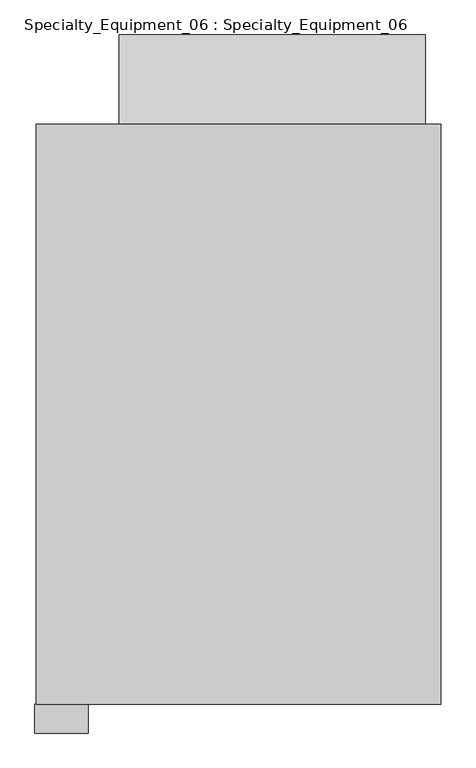
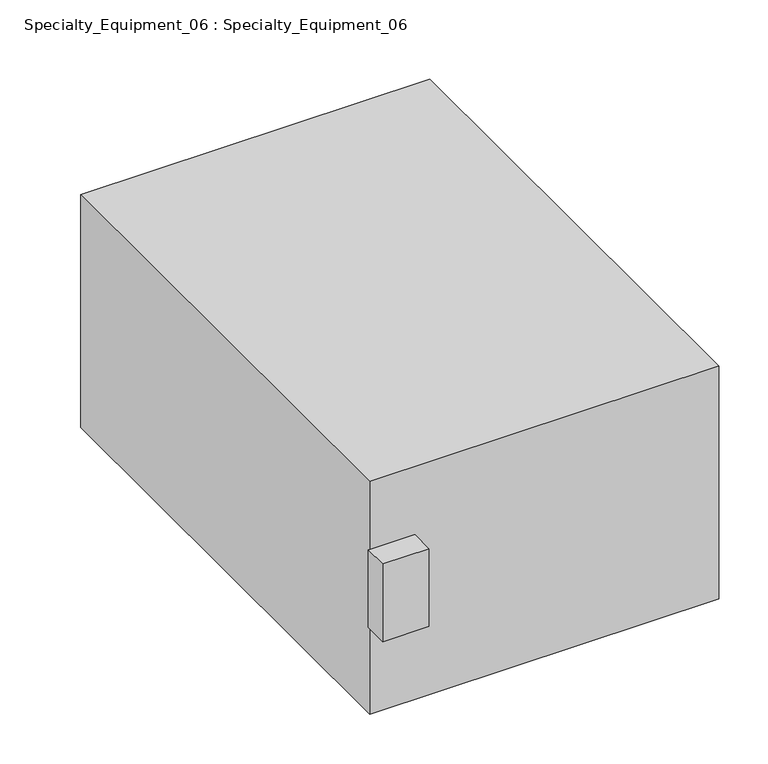
"""IFC4 building model written with IfcOpenShell, lengths in millimetres: proxy geometry, Specialty_Equipment_06 : Specialty_Equipment_06."""

import ifcopenshell
import ifcopenshell.guid

model = None  # the IFC model being written
_history = None  # IfcOwnerHistory: only IFC2X3 demands one
_inside = {}  # id of a spatial element -> (the spatial element, [elements in it])
_under = {}  # id of a project, library or spatial element -> (it, [spatial elements below it])
_declared = {}  # id of a project -> (the project, [libraries it declares])
_typed = {}  # id of a type object -> (the type object, [elements of that type])
_made_of = {}  # id of a material, layer set ... -> (it, [elements and type objects made of it])


def new_model(schema):
    """Start an empty IFC model of exactly this schema.

    Asked for "IFC4X3", IfcOpenShell would pick the latest addendum, in which some entities
    have other attributes; the version numbers below select the first issue.
    IFC2X3 requires an IfcOwnerHistory on every rooted entity: one is made here for all.
    """
    global model, _history
    if schema == "IFC4X3":
        model = ifcopenshell.file(schema_version=(4, 3, 0, 0))
    else:
        model = ifcopenshell.file(schema=schema)
    _inside.clear()
    _under.clear()
    _declared.clear()
    _typed.clear()
    _made_of.clear()
    _history = None
    if model.schema == "IFC2X3":
        org = make("IfcOrganization", Name="unknown")
        user = make(
            "IfcPersonAndOrganization",
            ThePerson=make("IfcPerson", FamilyName="unknown"),
            TheOrganization=org,
        )
        app = make(
            "IfcApplication",
            ApplicationDeveloper=org,
            Version="unknown",
            ApplicationFullName="unknown",
            ApplicationIdentifier="unknown",
        )
        _history = make(
            "IfcOwnerHistory",
            OwningUser=user,
            OwningApplication=app,
            ChangeAction="ADDED",
            CreationDate=0,
        )
    return model


def make(cls, **values):
    """One entity of the class cls with the attributes given. An attribute that is None is left unset."""
    return model.create_entity(
        cls, **{name: value for name, value in values.items() if value is not None}
    )


def rooted(cls, **values):
    """An entity with a GlobalId (a new one), such as an element, a storey or a relation."""
    return make(cls, GlobalId=ifcopenshell.guid.new(), OwnerHistory=_history, **values)


def si_unit(unit_type, name, prefix=None):
    """IfcSIUnit, for example si_unit("LENGTHUNIT", "METRE", prefix="MILLI")."""
    return make("IfcSIUnit", UnitType=unit_type, Prefix=prefix, Name=name)


def assignment(units):
    """IfcUnitAssignment: the units of a project."""
    return None if units is None else make("IfcUnitAssignment", Units=units)


def point(xyz):
    """IfcCartesianPoint."""
    return None if xyz is None else make("IfcCartesianPoint", Coordinates=xyz)


def direction(xyz):
    """IfcDirection."""
    return None if xyz is None else make("IfcDirection", DirectionRatios=xyz)


def frame(location, z_axis=None, x_axis=None):
    """IfcAxis2Placement3D, a coordinate frame: its origin and axes. An axis left out is left unset."""
    return make(
        "IfcAxis2Placement3D",
        Location=point(location),
        Axis=direction(z_axis),
        RefDirection=direction(x_axis),
    )


def origin():
    """The frame at (0, 0, 0) with its axes left unset."""
    return frame((0.0, 0.0, 0.0))


def place(relative_to, where):
    """IfcLocalPlacement: puts the frame where relative to a parent placement (None: the world)."""
    return make(
        "IfcLocalPlacement", PlacementRelTo=relative_to, RelativePlacement=where
    )


def context(
    kind, dimensions, precision=None, world=None, true_north=None, identifier=None
):
    """IfcGeometricRepresentationContext, for example the 3D "Model" context."""
    return make(
        "IfcGeometricRepresentationContext",
        ContextIdentifier=identifier,
        ContextType=kind,
        CoordinateSpaceDimension=dimensions,
        Precision=precision,
        WorldCoordinateSystem=world,
        TrueNorth=true_north,
    )


def project(units=None, contexts=None):
    """IfcProject with its units and contexts."""
    return rooted(
        "IfcProject",
        Name="project",
        RepresentationContexts=contexts,
        UnitsInContext=assignment(units),
    )


def spatial(cls, under=None, at=None, **own):
    """A site, building, storey or space (cls), placed at a placement, below another one or the project."""
    s = rooted(cls, ObjectPlacement=at, **own)
    if under is not None:
        _under.setdefault(under.id(), (under, []))[1].append(s)
    return s


def faces_of(points, faces, orient=None, outer=None):
    """IfcFace entities. A face is a list of loops; a loop is a list of indices into points, from 0.

    orient and outer hold one flag for each loop. By default every Orientation is true, the
    first loop of a face is its IfcFaceOuterBound and the others are IfcFaceBound.
    """
    made = []
    for i, loops in enumerate(faces):
        bounds = []
        for j, loop in enumerate(loops):
            is_outer = j == 0 if outer is None else outer[i][j]
            bounds.append(
                make(
                    "IfcFaceOuterBound" if is_outer else "IfcFaceBound",
                    Bound=make("IfcPolyLoop", Polygon=[points[k] for k in loop]),
                    Orientation=True if orient is None else orient[i][j],
                )
            )
        made.append(make("IfcFace", Bounds=bounds))
    return made


def faceted_brep(points, faces, orient=None, outer=None, voids=None):
    """IfcFacetedBrep: a solid bounded by flat faces; with voids (closed shells), ...WithVoids."""
    shared = [point(p) for p in points]
    hull = make("IfcClosedShell", CfsFaces=faces_of(shared, faces, orient, outer))
    if voids is None:
        return make("IfcFacetedBrep", Outer=hull)
    return make(
        "IfcFacetedBrepWithVoids",
        Outer=hull,
        Voids=[
            make(cls, CfsFaces=faces_of(shared, fs, o, b)) for cls, fs, o, b in voids
        ],
    )


def shape(context_of_items, identifier, shape_type, items):
    """IfcShapeRepresentation: the items that make up one representation, for example the "Body"."""
    return make(
        "IfcShapeRepresentation",
        ContextOfItems=context_of_items,
        RepresentationIdentifier=identifier,
        RepresentationType=shape_type,
        Items=items,
    )


def source(mapping_origin, context_of_items, identifier, shape_type, items):
    """IfcRepresentationMap: a shape defined once, which mapped items show again and again."""
    return make(
        "IfcRepresentationMap",
        MappingOrigin=mapping_origin,
        MappedRepresentation=shape(context_of_items, identifier, shape_type, items),
    )


def transform(
    local_origin,
    x_axis=None,
    y_axis=None,
    z_axis=None,
    scale=None,
    scale2=None,
    scale3=None,
    uniform=True,
):
    """IfcCartesianTransformationOperator3D, or its non-uniform kind. x_axis, y_axis, z_axis: its Axis1, 2, 3."""
    if uniform:
        return make(
            "IfcCartesianTransformationOperator3D",
            Axis1=direction(x_axis),
            Axis2=direction(y_axis),
            LocalOrigin=point(local_origin),
            Scale=scale,
            Axis3=direction(z_axis),
        )
    return make(
        "IfcCartesianTransformationOperator3DnonUniform",
        Axis1=direction(x_axis),
        Axis2=direction(y_axis),
        LocalOrigin=point(local_origin),
        Scale=scale,
        Axis3=direction(z_axis),
        Scale2=scale2,
        Scale3=scale3,
    )


def mapped(mapping_source, mapping_target):
    """IfcMappedItem: shows the shape of a source again, moved by a transform."""
    return make(
        "IfcMappedItem", MappingSource=mapping_source, MappingTarget=mapping_target
    )


def made_of(thing, what):
    """Note that an element or type object is made of a material, layer set ...; save() writes the relation."""
    if what is not None:
        _made_of.setdefault(what.id(), (what, []))[1].append(thing)
    return thing


def element(
    cls,
    number,
    at=None,
    inside=None,
    cuts=None,
    type_object=None,
    material=None,
    context=None,
    identifier="Body",
    shape_type=None,
    held_by="IfcProductDefinitionShape",
    body=None,
    shapes=None,
    **own,
):
    """One element of the class cls, such as IfcWall. Its Tag is "e" and its number.

    at: its placement. inside: the storey or other place that contains it. cuts: it is an
    opening in that element (IfcRelVoidsElement). A single representation is given by context,
    identifier, shape_type and body (its items); several are given by shapes. held_by: the class
    of the entity that holds the representations. save() writes the other relations.
    """
    e = rooted(cls, Tag="e%d" % number, ObjectPlacement=at, **own)
    if body is not None:
        shapes = [shape(context, identifier, shape_type, body)]
    if shapes is not None:
        e.Representation = make(held_by, Representations=shapes)
    if inside is not None:
        _inside.setdefault(inside.id(), (inside, []))[1].append(e)
    if cuts is not None:
        rooted(
            "IfcRelVoidsElement", RelatingBuildingElement=cuts, RelatedOpeningElement=e
        )
    if type_object is not None:
        _typed.setdefault(type_object.id(), (type_object, []))[1].append(e)
    return made_of(e, material)


def aggregate(whole, parts):
    """IfcRelAggregates: a whole, such as a stair, and the parts it consists of."""
    return rooted("IfcRelAggregates", RelatingObject=whole, RelatedObjects=parts)


def save(model, path):
    """Write the relations noted so far, then the file.

    IfcRelAggregates (storeys below a building ...), IfcRelContainedInSpatialStructure (elements
    in a storey), IfcRelDefinesByType, IfcRelAssociatesMaterial and IfcRelDeclares: one each for
    every whole, place, type object, material and project.
    """
    for whole, parts in _under.values():
        aggregate(whole, parts)
    for where, things in _inside.values():
        rooted(
            "IfcRelContainedInSpatialStructure",
            RelatedElements=things,
            RelatingStructure=where,
        )
    for kind, things in _typed.values():
        rooted("IfcRelDefinesByType", RelatedObjects=things, RelatingType=kind)
    for what, things in _made_of.values():
        rooted("IfcRelAssociatesMaterial", RelatedObjects=things, RelatingMaterial=what)
    for by, libraries in _declared.values():
        rooted("IfcRelDeclares", RelatingContext=by, RelatedDefinitions=libraries)
    model.write(path)


def specialty_equipment_06_specialty_equipment_06_93a71b08(model_context):
    return source(origin(), model_context, "Body", "Brep", [
        faceted_brep([(1088.2933169, -1759.6615256, 1631.2185663), (1088.2933169, -1759.6615256, 109.0385295), (1088.2933169, 1334.9462832, 109.0385295), (1088.2933169, 1334.9462832, 1631.2185663), (-1071.4653444, -1759.6615256, 1631.2185663), (-1071.4653444, 1334.9462832, 1631.2185663), (-1071.4653444, 1334.9462832, 109.0385295), (-1071.4653444, -1759.6615256, 109.0385295), (-1071.4653444, -1759.6615256, 678.7969762), (-1071.4653444, -1759.6615256, 1186.7969762), (-793.5710737, -1759.6615256, 1186.7969762), (-793.5710737, -1759.6615256, 678.7969762), (1006.456849, 1334.9462832, 317.6022931), (1006.456849, 1334.9462832, 1342.4842859), (-630.0343775, 1334.9462832, 1342.4842859), (-630.0343775, 1334.9462832, 317.6022931), (-793.5710737, -1912.0615256, 1186.7969762), (-793.5710737, -1912.0615256, 678.7969762), (-1078.7488856, -1912.0615256, 1186.7969762), (-1078.7488856, -1759.6615256, 1186.7969762), (-1078.7488856, -1759.6615256, 678.7969762), (-1078.7488856, -1912.0615256, 678.7969762), (1006.456849, 1811.929391, 445.4095316), (-630.0343775, 1811.929391, 445.4095316)], [[[0, 1, 2, 3]], [[4, 5, 6, 7, 8, 9]], [[1, 0, 4, 9, 10, 11, 8, 7]], [[2, 1, 7, 6]], [[3, 2, 6, 5], [12, 13, 14, 15]], [[0, 3, 5, 4]], [[16, 17, 11, 10]], [[18, 19, 20, 21]], [[17, 16, 18, 21]], [[11, 17, 21, 20, 8]], [[20, 19, 9, 8]], [[16, 10, 9, 19, 18]], [[22, 13, 12]], [[23, 15, 14]], [[13, 22, 23, 14]], [[22, 12, 15, 23]]]),
    ])


if __name__ == "__main__":
    model = new_model("IFC4")
    model_context = context("Model", 3, world=origin())
    ifc_project = project(units=[si_unit("LENGTHUNIT", "METRE", prefix="MILLI")], contexts=[model_context])
    site = spatial("IfcSite", under=ifc_project)
    building = spatial("IfcBuilding", under=site)
    placement = place(None, origin())
    specialty_equipment_06_specialty_equipment_06_shape = specialty_equipment_06_specialty_equipment_06_93a71b08(model_context)
    element("IfcBuildingElementProxy", 1, Name="Specialty_Equipment_06 : Specialty_Equipment_06", ObjectType="Specialty_Equipment_06 : Specialty_Equipment_06", at=placement, inside=building, context=model_context, shape_type="MappedRepresentation", body=[
        mapped(specialty_equipment_06_specialty_equipment_06_shape, transform((0.0, 0.0, 0.0), x_axis=(1.0, 0.0, 0.0), y_axis=(0.0, 1.0, 0.0), z_axis=(0.0, 0.0, 1.0))),
    ])
    save(model, "model.ifc")
